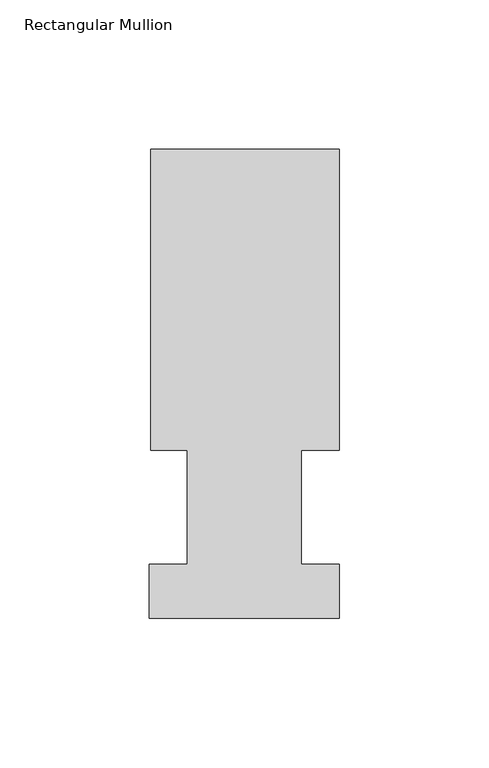
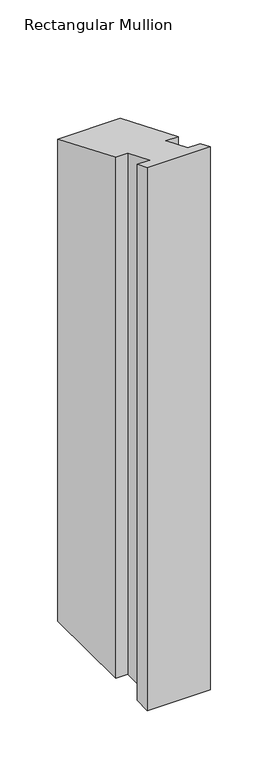
"""IFC4 building model written with IfcOpenShell, lengths in millimetres: member geometry, Rectangular Mullion."""

from ifc_helpers import new_model, si_unit, origin, place, context, project, spatial, faceted_brep, source, transform, mapped, element, save


def rectangular_mullion_88bb83fa(model_context):
    return source(origin(), model_context, "Body", "Brep", [
        faceted_brep([(-63.0936, 56.6539062, -577.85), (-63.0936, 157.3395062, -577.85), (0.0, 157.3395062, -577.85), (0.0, 56.6539063, -577.85), (-12.6746, 56.6539062, -577.85), (-12.6746, 18.5539062, -577.85), (0.0, 18.5539062, -577.85), (0.0, 0.5199062, -577.85), (-63.5, 0.5199062, -577.85), (-63.5, 18.5539062, -577.85), (-50.8, 18.5539062, -577.85), (-50.8, 56.6539062, -577.85), (-50.8, 56.6539062, -23.4668163), (-63.0936, 56.6539062, -23.4668163), (-50.8, 18.5539062, -7.6852796), (-63.5, 18.5539062, -7.6852796), (-63.5, 0.5199062, -0.2153522), (0.0, 0.5199062, -0.2153522), (0.0, 18.5539062, -7.6852796), (-12.6746, 18.5539062, -7.6852796), (-12.6746, 56.6539062, -23.4668163), (0.0, 56.6539063, -23.4668163), (0.0, 157.3395062, -65.1721574), (-63.0936, 157.3395062, -65.1721574)], [[[0, 1, 2, 3, 4, 5, 6, 7, 8, 9, 10, 11]], [[12, 13, 0, 11]], [[14, 12, 11, 10]], [[15, 14, 10, 9]], [[16, 15, 9, 8]], [[17, 16, 8, 7]], [[18, 17, 7, 6]], [[19, 18, 6, 5]], [[20, 19, 5, 4]], [[21, 20, 4, 3]], [[22, 21, 3, 2]], [[23, 22, 2, 1]], [[13, 23, 1, 0]], [[13, 12, 14, 15, 16, 17, 18, 19, 20, 21, 22, 23]]]),
    ])


if __name__ == "__main__":
    model = new_model("IFC4")
    model_context = context("Model", 3, world=origin())
    ifc_project = project(units=[si_unit("LENGTHUNIT", "METRE", prefix="MILLI")], contexts=[model_context])
    site = spatial("IfcSite", under=ifc_project)
    building = spatial("IfcBuilding", under=site)
    placement = place(None, origin())
    rectangular_mullion_shape = rectangular_mullion_88bb83fa(model_context)
    element("IfcMember", 1, ObjectType="Rectangular Mullion", at=placement, inside=building, context=model_context, shape_type="MappedRepresentation", body=[
        mapped(rectangular_mullion_shape, transform((0.0, 0.0, 0.0), x_axis=(1.0, 0.0, 0.0), y_axis=(0.0, 1.0, 0.0), z_axis=(0.0, 0.0, 1.0))),
    ])
    save(model, "model.ifc")
